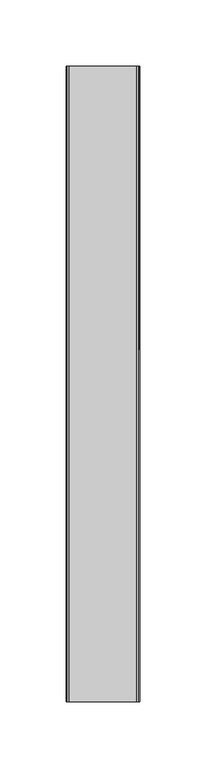
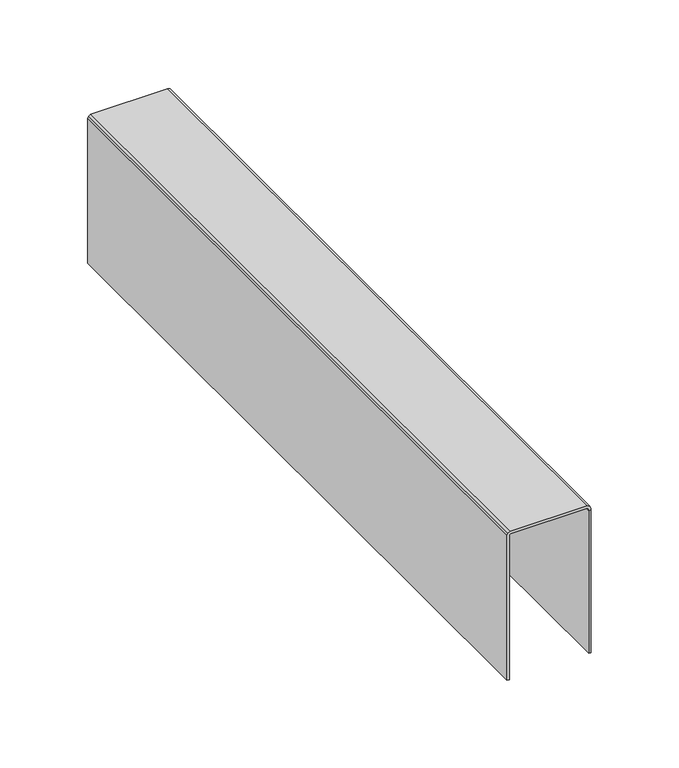
"""IFC4 building model written with IfcOpenShell, lengths in millimetres: furniture geometry."""

from ifc_helpers import new_model, si_unit, point, frame, frame_2d, origin, place, context, project, spatial, polyline, circle_curve, trimmed, segment, composite_curve, outline, extrude, source, transform, mapped, element, save


def furniture_c38e62f7(model_context):
    return source(origin(), model_context, "Body", "SweptSolid", [
        extrude(outline(polyline([(25.7810004, 339.67923), (25.7810004, 434.8280734), (239.74287, 434.8280734), (239.74287, 334.8532165), (137.4648015, 334.8532165), (136.1948027, 336.1232334), (136.1948027, 339.67923), (25.7810004, 339.67923)])), frame((94.2697364, 0.0, 0.0), z_axis=(1.0, 0.0, 0.0), x_axis=(0.0, 1.0, 0.0)), (0.0, 0.0, 1.0), 1.6095856),
        extrude(outline(composite_curve([segment(polyline([(435.7972311, 40.4812508), (334.8532165, 40.4812508), (334.8532165, 41.9457364), (435.612185, 41.9457364)]), True, "CONTINUOUS"), segment(trimmed(circle_curve(frame_2d((435.612185, 42.78678)), 0.8410436), [point((435.612185, 41.9457364))], [point((436.4532286, 42.78678))], True, "CARTESIAN"), True, "CONTINUOUS"), segment(polyline([(436.4532286, 42.78678), (436.4532286, 93.3120413)]), True, "CONTINUOUS"), segment(trimmed(circle_curve(frame_2d((435.4955334, 93.3120413)), 0.9576951), [point((436.4532286, 93.3120413))], [point((435.4955334, 94.2697364))], True, "CARTESIAN"), True, "CONTINUOUS"), segment(polyline([(435.4955334, 94.2697364), (434.4212305, 94.2697364), (434.4212305, 95.7886572), (435.665813, 95.7886572), (437.2966364, 95.1131533), (437.9721402, 93.482339), (437.9721402, 42.7331383), (437.2966364, 41.102324), (435.7972311, 40.4812508)]), True, "CONTINUOUS")], self_intersect=False)), frame((0.0, -239.74287, 0.0), z_axis=(0.0, 1.0, 0.0), x_axis=(0.0, 0.0, 1.0)), (0.0, 0.0, 1.0), 479.48574),
        extrude(outline(polyline([(-25.7810004, 339.67923), (-136.1948027, 339.67923), (-136.1948027, 336.1232334), (-137.4648015, 334.8532165), (-239.74287, 334.8532165), (-239.74287, 434.8280734), (-25.7810004, 434.8280734), (-25.7810004, 339.67923)])), frame((94.2697364, 0.0, 0.0), z_axis=(1.0, 0.0, 0.0), x_axis=(0.0, 1.0, 0.0)), (0.0, 0.0, 1.0), 1.6095856),
    ])


if __name__ == "__main__":
    model = new_model("IFC4")
    model_context = context("Model", 3, world=origin())
    ifc_project = project(units=[si_unit("LENGTHUNIT", "METRE", prefix="MILLI")], contexts=[model_context])
    site = spatial("IfcSite", under=ifc_project)
    building = spatial("IfcBuilding", under=site)
    placement = place(None, origin())
    furniture_shape = furniture_c38e62f7(model_context)
    element("IfcFurniture", 1, at=placement, inside=building, context=model_context, shape_type="MappedRepresentation", body=[
        mapped(furniture_shape, transform((0.0, 0.0, 0.0), x_axis=(1.0, 0.0, 0.0), y_axis=(0.0, 1.0, 0.0), z_axis=(0.0, 0.0, 1.0))),
    ])
    save(model, "model.ifc")
